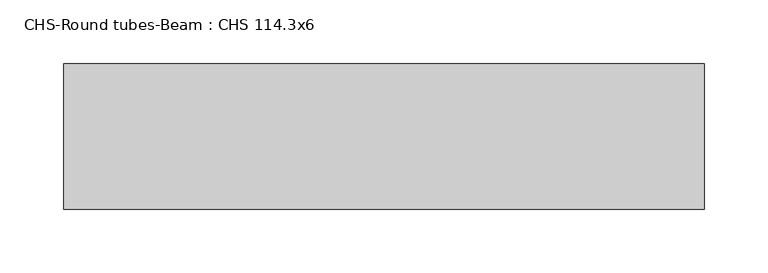
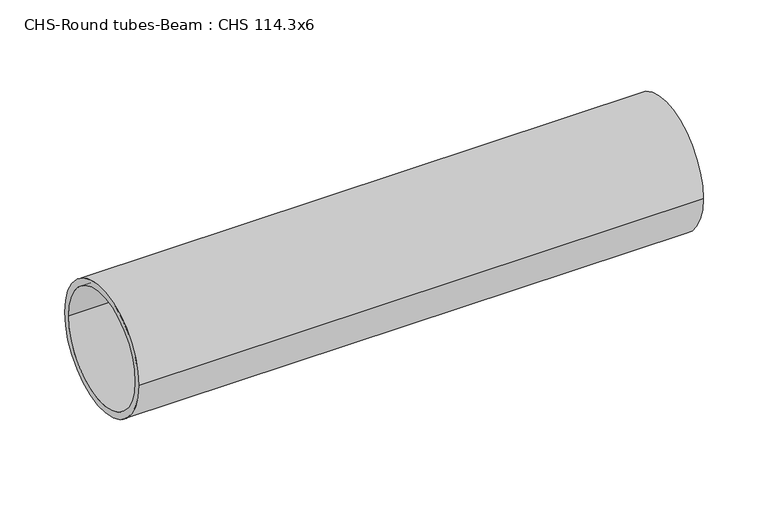
"""IFC4 building model written with IfcOpenShell, lengths in millimetres: beam geometry, CHS-Round tubes-Beam : CHS 114.3x6."""

from ifc_helpers import new_model, si_unit, point, frame, origin, origin_2d, place, context, project, spatial, circle_curve, trimmed, segment, composite_curve, outline, extrude, source, transform, mapped, element, save


def chs_round_tubes_beam_chs_114_3x6_98490721(model_context):
    return source(origin(), model_context, "Body", "SweptSolid", [
        extrude(outline(composite_curve([segment(trimmed(circle_curve(origin_2d(), 57.15), [point((57.15, 0.0))], [point((-57.15, 0.0))], False, "CARTESIAN"), True, "CONTINUOUS"), segment(trimmed(circle_curve(origin_2d(), 57.15), [point((-57.15, 0.0))], [point((57.15, 0.0))], False, "CARTESIAN"), True, "CONTINUOUS")], self_intersect=False), holes=[composite_curve([segment(trimmed(circle_curve(origin_2d(), 51.15), [point((51.15, 0.0))], [point((-51.15, 0.0))], True, "CARTESIAN"), True, "CONTINUOUS"), segment(trimmed(circle_curve(origin_2d(), 51.15), [point((-51.15, 0.0))], [point((51.15, 0.0))], True, "CARTESIAN"), True, "CONTINUOUS")], self_intersect=False)]), frame((-223.1945356, 0.0, 0.0), z_axis=(1.0, 0.0, 0.0), x_axis=(0.0, 1.0, 0.0)), (0.0, 0.0, 1.0), 503.1364506),
    ])


if __name__ == "__main__":
    model = new_model("IFC4")
    model_context = context("Model", 3, world=origin())
    ifc_project = project(units=[si_unit("LENGTHUNIT", "METRE", prefix="MILLI")], contexts=[model_context])
    site = spatial("IfcSite", under=ifc_project)
    building = spatial("IfcBuilding", under=site)
    placement = place(None, origin())
    chs_round_tubes_beam_chs_114_3x6_shape = chs_round_tubes_beam_chs_114_3x6_98490721(model_context)
    element("IfcBeam", 1, ObjectType="CHS-Round tubes-Beam : CHS 114.3x6", at=placement, inside=building, context=model_context, shape_type="MappedRepresentation", body=[
        mapped(chs_round_tubes_beam_chs_114_3x6_shape, transform((0.0, 0.0, 0.0), x_axis=(1.0, 0.0, 0.0), y_axis=(0.0, 1.0, 0.0), z_axis=(0.0, 0.0, 1.0))),
    ])
    save(model, "model.ifc")
